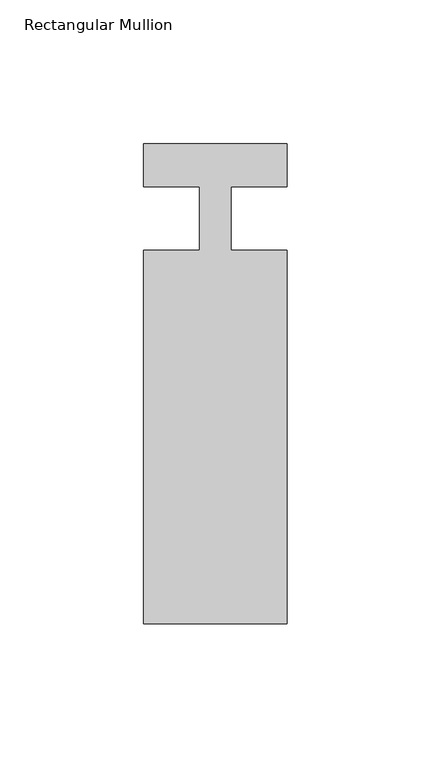
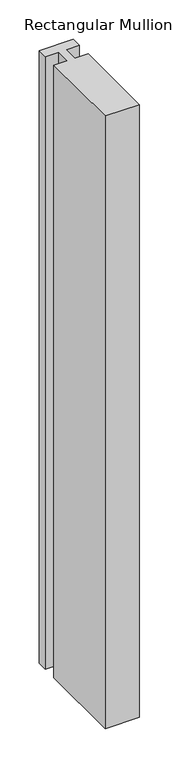
"""IFC4 building model written with IfcOpenShell, lengths in millimetres: member geometry, Rectangular Mullion."""

from ifc_helpers import new_model, si_unit, frame, origin, place, context, project, spatial, polyline, outline, extrude, source, transform, mapped, element, save


def rectangular_mullion_f6544afb(model_context):
    return source(origin(), model_context, "Body", "SweptSolid", [
        extrude(outline(polyline([(25.0, -141.0), (-25.0, -141.0), (-25.0, -11.0), (-5.4999998, -11.0), (-5.4999998, 11.0), (-25.0, 11.0), (-25.0, 26.0), (25.0, 26.0), (25.0, 11.0), (5.5, 11.0), (5.5, -11.0), (25.0, -11.0), (25.0, -141.0)])), frame((0.0, 0.0, -950.0), z_axis=(0.0, 0.0, 1.0), x_axis=(1.0, 0.0, 0.0)), (0.0, 0.0, 1.0), 950.0),
    ])


if __name__ == "__main__":
    model = new_model("IFC4")
    model_context = context("Model", 3, world=origin())
    ifc_project = project(units=[si_unit("LENGTHUNIT", "METRE", prefix="MILLI")], contexts=[model_context])
    site = spatial("IfcSite", under=ifc_project)
    building = spatial("IfcBuilding", under=site)
    placement = place(None, origin())
    rectangular_mullion_shape = rectangular_mullion_f6544afb(model_context)
    element("IfcMember", 1, ObjectType="Rectangular Mullion", at=placement, inside=building, context=model_context, shape_type="MappedRepresentation", body=[
        mapped(rectangular_mullion_shape, transform((0.0, 0.0, 0.0), x_axis=(1.0, 0.0, 0.0), y_axis=(0.0, 1.0, 0.0), z_axis=(0.0, 0.0, 1.0))),
    ])
    save(model, "model.ifc")
